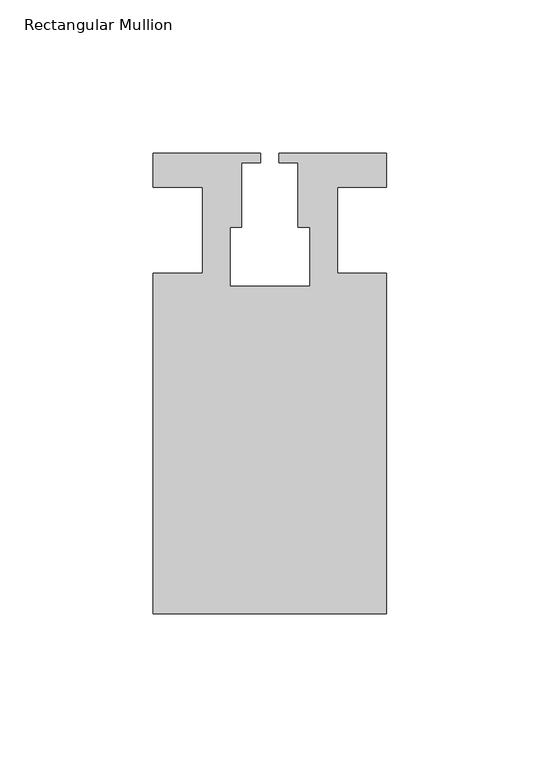
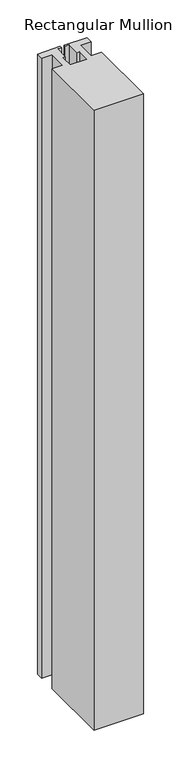
"""IFC4 building model written with IfcOpenShell, lengths in millimetres: member geometry, Rectangular Mullion."""

from ifc_helpers import new_model, si_unit, frame, origin, place, context, project, spatial, polyline, outline, extrude, source, transform, mapped, element, save


def rectangular_mullion_aa7c0fb3(model_context):
    return source(origin(), model_context, "Body", "SweptSolid", [
        extrude(outline(polyline([(37.9999914, -124.9960123), (-37.9999896, -124.9960123), (-37.9999896, -13.9959029), (-21.9999633, -13.9959029), (-21.9999633, 14.0039877), (-37.9999896, 14.0039877), (-37.9999896, 25.0039877), (-2.9999896, 25.0039877), (-2.9999896, 22.0039877), (-9.1999633, 22.0039877), (-9.1999633, 1.0039877), (-12.9999633, 1.0039877), (-12.9999633, -18.1960075), (12.9999651, -18.1960075), (12.9999651, 1.0039877), (9.1999651, 1.0039877), (9.1999651, 22.0039877), (2.9999651, 22.0039877), (2.9999651, 25.0039877), (37.9999896, 25.0039877), (37.9999896, 14.0039877), (21.9999651, 14.0039877), (21.9999651, -13.9960123), (37.9999914, -13.9960123), (37.9999914, -124.9960123)])), frame((0.0, 0.0, -1006.6595328), z_axis=(0.0, 0.0, 1.0), x_axis=(1.0, 0.0, 0.0)), (0.0, 0.0, 1.0), 1006.6595328),
    ])


if __name__ == "__main__":
    model = new_model("IFC4")
    model_context = context("Model", 3, world=origin())
    ifc_project = project(units=[si_unit("LENGTHUNIT", "METRE", prefix="MILLI")], contexts=[model_context])
    site = spatial("IfcSite", under=ifc_project)
    building = spatial("IfcBuilding", under=site)
    placement = place(None, origin())
    rectangular_mullion_shape = rectangular_mullion_aa7c0fb3(model_context)
    element("IfcMember", 1, ObjectType="Rectangular Mullion", at=placement, inside=building, context=model_context, shape_type="MappedRepresentation", body=[
        mapped(rectangular_mullion_shape, transform((0.0, 0.0, 0.0), x_axis=(1.0, 0.0, 0.0), y_axis=(0.0, 1.0, 0.0), z_axis=(0.0, 0.0, 1.0))),
    ])
    save(model, "model.ifc")
